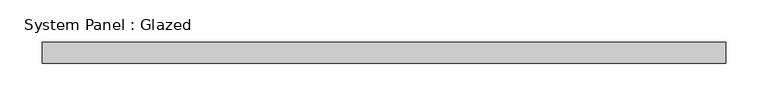
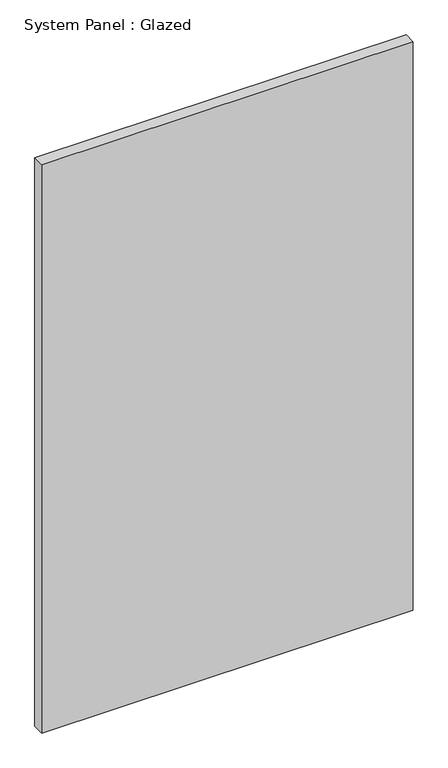
"""IFC4 building model written with IfcOpenShell, lengths in millimetres: plate geometry, System Panel : Glazed."""

from ifc_helpers import new_model, si_unit, origin, origin_with_axes, place, context, project, spatial, polyline, outline, extrude, source, transform, mapped, element, save


def system_panel_glazed_6982983b(model_context):
    return source(origin(), model_context, "Body", "SweptSolid", [
        extrude(outline(polyline([(406.4, -12.7), (-406.4, -12.7), (-406.4, 12.7), (406.4, 12.7), (406.4, -12.7)])), origin_with_axes(), (0.0, 0.0, 1.0), 1314.45),
    ])


if __name__ == "__main__":
    model = new_model("IFC4")
    model_context = context("Model", 3, world=origin())
    ifc_project = project(units=[si_unit("LENGTHUNIT", "METRE", prefix="MILLI")], contexts=[model_context])
    site = spatial("IfcSite", under=ifc_project)
    building = spatial("IfcBuilding", under=site)
    placement = place(None, origin())
    system_panel_glazed_shape = system_panel_glazed_6982983b(model_context)
    element("IfcPlate", 1, ObjectType="System Panel : Glazed", at=placement, inside=building, context=model_context, shape_type="MappedRepresentation", body=[
        mapped(system_panel_glazed_shape, transform((0.0, 0.0, 0.0), x_axis=(1.0, 0.0, 0.0), y_axis=(0.0, 1.0, 0.0), z_axis=(0.0, 0.0, 1.0))),
    ])
    save(model, "model.ifc")
